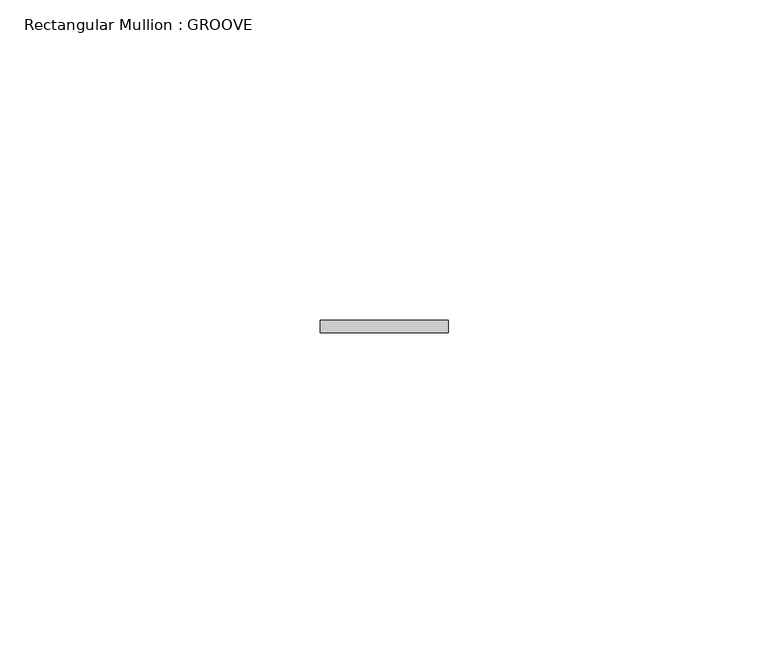
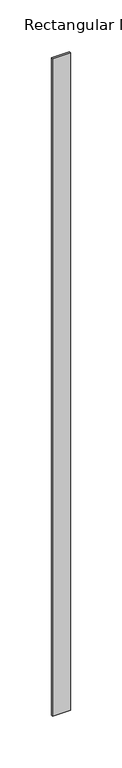
"""IFC4 building model written with IfcOpenShell, lengths in millimetres: member geometry, Rectangular Mullion : GROOVE."""

from ifc_helpers import new_model, si_unit, frame, origin, place, context, project, spatial, polyline, outline, extrude, source, transform, mapped, element, save


def rectangular_mullion_groove_d520b8a2(model_context):
    return source(origin(), model_context, "Body", "SweptSolid", [
        extrude(outline(polyline([(10.0, 51.0), (10.0, 49.0), (-10.0, 49.0), (-10.0, 51.0), (10.0, 51.0)])), frame((0.0, 0.0, -776.0), z_axis=(0.0, 0.0, 1.0), x_axis=(1.0, 0.0, 0.0)), (0.0, 0.0, 1.0), 776.0),
    ])


if __name__ == "__main__":
    model = new_model("IFC4")
    model_context = context("Model", 3, world=origin())
    ifc_project = project(units=[si_unit("LENGTHUNIT", "METRE", prefix="MILLI")], contexts=[model_context])
    site = spatial("IfcSite", under=ifc_project)
    building = spatial("IfcBuilding", under=site)
    placement = place(None, origin())
    rectangular_mullion_groove_shape = rectangular_mullion_groove_d520b8a2(model_context)
    element("IfcMember", 1, ObjectType="Rectangular Mullion : GROOVE", at=placement, inside=building, context=model_context, shape_type="MappedRepresentation", body=[
        mapped(rectangular_mullion_groove_shape, transform((0.0, 0.0, 0.0), x_axis=(1.0, 0.0, 0.0), y_axis=(0.0, 1.0, 0.0), z_axis=(0.0, 0.0, 1.0))),
    ])
    save(model, "model.ifc")
